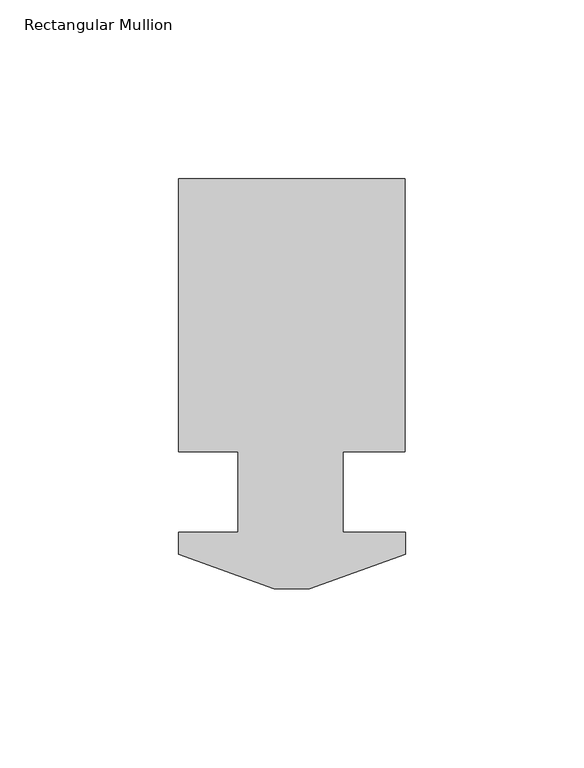
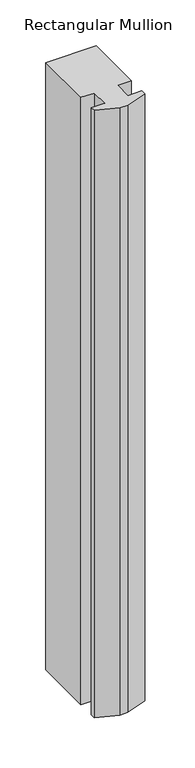
"""IFC4 building model written with IfcOpenShell, lengths in millimetres: member geometry, Rectangular Mullion."""

from ifc_helpers import new_model, si_unit, frame, origin, place, context, project, spatial, polyline, outline, extrude, source, transform, mapped, element, save


def rectangular_mullion_a317042a(model_context):
    return source(origin(), model_context, "Body", "SweptSolid", [
        extrude(outline(polyline([(31.75, 76.6294188), (31.75, 0.0992187), (14.2875, 0.0992188), (14.2875, -22.3797812), (31.7750021, -22.3797812), (31.7750021, -28.4757813), (4.9772064, -38.2293812), (-4.9272021, -38.2293812), (-31.7249979, -28.4757812), (-31.7249979, -22.3797812), (-15.065769, -22.3797812), (-15.065769, 0.0992187), (-31.75, 0.0992188), (-31.75, 76.6294188), (31.75, 76.6294188)])), frame((0.0, 0.0, -808.036738), z_axis=(0.0, 0.0, 1.0), x_axis=(1.0, 0.0, 0.0)), (0.0, 0.0, 1.0), 808.036738),
    ])


if __name__ == "__main__":
    model = new_model("IFC4")
    model_context = context("Model", 3, world=origin())
    ifc_project = project(units=[si_unit("LENGTHUNIT", "METRE", prefix="MILLI")], contexts=[model_context])
    site = spatial("IfcSite", under=ifc_project)
    building = spatial("IfcBuilding", under=site)
    placement = place(None, origin())
    rectangular_mullion_shape = rectangular_mullion_a317042a(model_context)
    element("IfcMember", 1, ObjectType="Rectangular Mullion", at=placement, inside=building, context=model_context, shape_type="MappedRepresentation", body=[
        mapped(rectangular_mullion_shape, transform((0.0, 0.0, 0.0), x_axis=(1.0, 0.0, 0.0), y_axis=(0.0, 1.0, 0.0), z_axis=(0.0, 0.0, 1.0))),
    ])
    save(model, "model.ifc")
